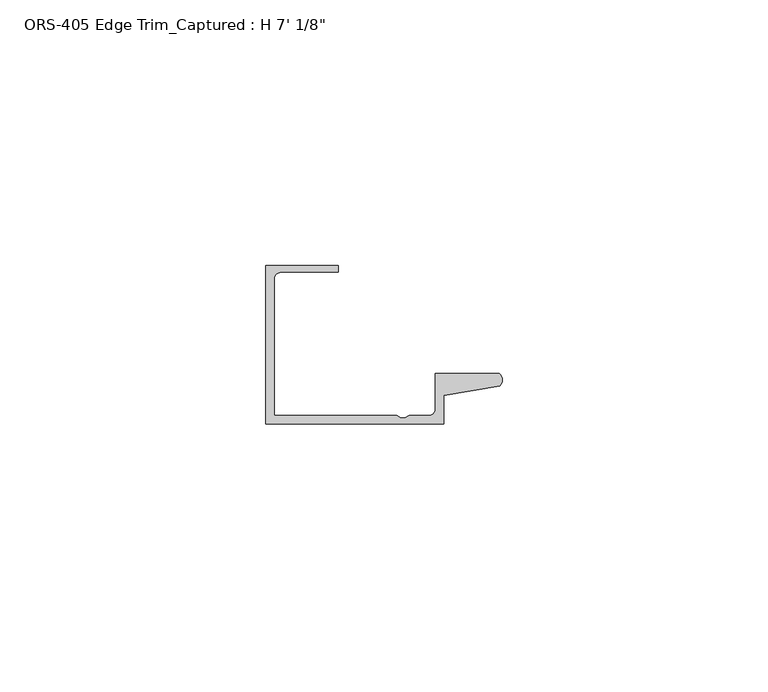
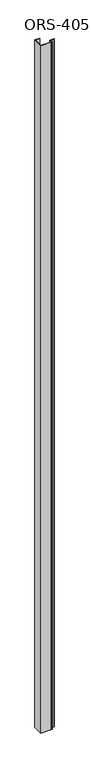
"""IFC4 building model written with IfcOpenShell, lengths in millimetres: proxy geometry."""

from ifc_helpers import new_model, si_unit, point, frame_2d, origin, origin_with_axes, place, context, project, spatial, polyline, circle_curve, trimmed, segment, composite_curve, outline, extrude, source, transform, mapped, element, save


def proxy_da989965(model_context):
    return source(origin(), model_context, "Body", "SweptSolid", [
        extrude(outline(composite_curve([segment(polyline([(44.0420567, -12.4813352), (33.4659698, -14.292309), (33.4659698, -19.6849659), (0.0, -19.6849659), (0.0, 10.1600341), (13.6622233, 10.1600341), (13.6622233, 8.8900341), (2.8448, 8.8900341)]), True, "CONTINUOUS"), segment(trimmed(circle_curve(frame_2d((2.8448, 7.6200341)), 1.27), [point((2.8448, 8.8900341))], [point((1.5748, 7.6200341))], True, "CARTESIAN"), True, "CONTINUOUS"), segment(polyline([(1.5748, 7.6200341), (1.5748, -18.1101659), (24.6126, -18.1101659), (25.3873893, -18.5165659), (26.2000107, -18.5165659), (26.9748, -18.1101659), (30.6211698, -18.1101659)]), True, "CONTINUOUS"), segment(trimmed(circle_curve(frame_2d((30.6211698, -16.8401659)), 1.27), [point((30.6211698, -18.1101659))], [point((31.8911698, -16.8401659))], True, "CARTESIAN"), True, "CONTINUOUS"), segment(polyline([(31.8911698, -16.8401659), (31.8911698, -10.1599659), (43.9759729, -10.1599659)]), True, "CONTINUOUS"), segment(trimmed(circle_curve(frame_2d((42.8852152, -11.3526424)), 1.6162393), [point((43.9759729, -10.1599659))], [point((44.0420567, -12.4813352))], False, "CARTESIAN"), True, "CONTINUOUS")], self_intersect=False)), origin_with_axes(), (0.0, 0.0, 1.0), 2136.775),
    ])


if __name__ == "__main__":
    model = new_model("IFC4")
    model_context = context("Model", 3, world=origin())
    ifc_project = project(units=[si_unit("LENGTHUNIT", "METRE", prefix="MILLI")], contexts=[model_context])
    site = spatial("IfcSite", under=ifc_project)
    building = spatial("IfcBuilding", under=site)
    placement = place(None, origin())
    proxy_shape = proxy_da989965(model_context)
    element("IfcBuildingElementProxy", 1, Name="ORS-405 Edge Trim_Captured : H 7' 1/8\"", ObjectType="ORS-405 Edge Trim_Captured : H 7' 1/8\"", at=placement, inside=building, context=model_context, shape_type="MappedRepresentation", body=[
        mapped(proxy_shape, transform((0.0, 0.0, 0.0), x_axis=(1.0, 0.0, 0.0), y_axis=(0.0, 1.0, 0.0), z_axis=(0.0, 0.0, 1.0))),
    ])
    save(model, "model.ifc")
